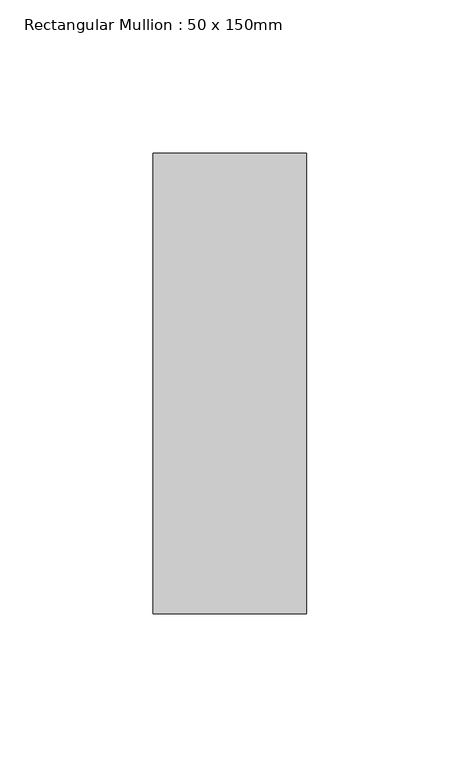
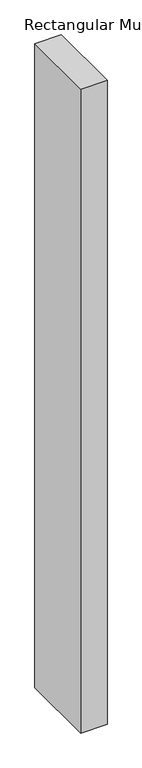
"""IFC4 building model written with IfcOpenShell, lengths in millimetres: member geometry, Rectangular Mullion : 50 x 150mm."""

import ifcopenshell
import ifcopenshell.guid

model = None  # the IFC model being written
_history = None  # IfcOwnerHistory: only IFC2X3 demands one
_inside = {}  # id of a spatial element -> (the spatial element, [elements in it])
_under = {}  # id of a project, library or spatial element -> (it, [spatial elements below it])
_declared = {}  # id of a project -> (the project, [libraries it declares])
_typed = {}  # id of a type object -> (the type object, [elements of that type])
_made_of = {}  # id of a material, layer set ... -> (it, [elements and type objects made of it])


def new_model(schema):
    """Start an empty IFC model of exactly this schema.

    Asked for "IFC4X3", IfcOpenShell would pick the latest addendum, in which some entities
    have other attributes; the version numbers below select the first issue.
    IFC2X3 requires an IfcOwnerHistory on every rooted entity: one is made here for all.
    """
    global model, _history
    if schema == "IFC4X3":
        model = ifcopenshell.file(schema_version=(4, 3, 0, 0))
    else:
        model = ifcopenshell.file(schema=schema)
    _inside.clear()
    _under.clear()
    _declared.clear()
    _typed.clear()
    _made_of.clear()
    _history = None
    if model.schema == "IFC2X3":
        org = make("IfcOrganization", Name="unknown")
        user = make(
            "IfcPersonAndOrganization",
            ThePerson=make("IfcPerson", FamilyName="unknown"),
            TheOrganization=org,
        )
        app = make(
            "IfcApplication",
            ApplicationDeveloper=org,
            Version="unknown",
            ApplicationFullName="unknown",
            ApplicationIdentifier="unknown",
        )
        _history = make(
            "IfcOwnerHistory",
            OwningUser=user,
            OwningApplication=app,
            ChangeAction="ADDED",
            CreationDate=0,
        )
    return model


def make(cls, **values):
    """One entity of the class cls with the attributes given. An attribute that is None is left unset."""
    return model.create_entity(
        cls, **{name: value for name, value in values.items() if value is not None}
    )


def rooted(cls, **values):
    """An entity with a GlobalId (a new one), such as an element, a storey or a relation."""
    return make(cls, GlobalId=ifcopenshell.guid.new(), OwnerHistory=_history, **values)


def si_unit(unit_type, name, prefix=None):
    """IfcSIUnit, for example si_unit("LENGTHUNIT", "METRE", prefix="MILLI")."""
    return make("IfcSIUnit", UnitType=unit_type, Prefix=prefix, Name=name)


def assignment(units):
    """IfcUnitAssignment: the units of a project."""
    return None if units is None else make("IfcUnitAssignment", Units=units)


def point(xyz):
    """IfcCartesianPoint."""
    return None if xyz is None else make("IfcCartesianPoint", Coordinates=xyz)


def direction(xyz):
    """IfcDirection."""
    return None if xyz is None else make("IfcDirection", DirectionRatios=xyz)


def frame(location, z_axis=None, x_axis=None):
    """IfcAxis2Placement3D, a coordinate frame: its origin and axes. An axis left out is left unset."""
    return make(
        "IfcAxis2Placement3D",
        Location=point(location),
        Axis=direction(z_axis),
        RefDirection=direction(x_axis),
    )


def origin():
    """The frame at (0, 0, 0) with its axes left unset."""
    return frame((0.0, 0.0, 0.0))


def place(relative_to, where):
    """IfcLocalPlacement: puts the frame where relative to a parent placement (None: the world)."""
    return make(
        "IfcLocalPlacement", PlacementRelTo=relative_to, RelativePlacement=where
    )


def context(
    kind, dimensions, precision=None, world=None, true_north=None, identifier=None
):
    """IfcGeometricRepresentationContext, for example the 3D "Model" context."""
    return make(
        "IfcGeometricRepresentationContext",
        ContextIdentifier=identifier,
        ContextType=kind,
        CoordinateSpaceDimension=dimensions,
        Precision=precision,
        WorldCoordinateSystem=world,
        TrueNorth=true_north,
    )


def project(units=None, contexts=None):
    """IfcProject with its units and contexts."""
    return rooted(
        "IfcProject",
        Name="project",
        RepresentationContexts=contexts,
        UnitsInContext=assignment(units),
    )


def spatial(cls, under=None, at=None, **own):
    """A site, building, storey or space (cls), placed at a placement, below another one or the project."""
    s = rooted(cls, ObjectPlacement=at, **own)
    if under is not None:
        _under.setdefault(under.id(), (under, []))[1].append(s)
    return s


def polyline(points):
    """IfcPolyline through the points."""
    return make("IfcPolyline", Points=[point(p) for p in points])


def outline(outer, holes=None, kind="AREA"):
    """IfcArbitraryClosedProfileDef: a profile drawn as a closed curve; with holes, ...WithVoids."""
    if holes is None:
        return make("IfcArbitraryClosedProfileDef", ProfileType=kind, OuterCurve=outer)
    return make(
        "IfcArbitraryProfileDefWithVoids",
        ProfileType=kind,
        OuterCurve=outer,
        InnerCurves=holes,
    )


def extrude(swept, where, along, depth):
    """IfcExtrudedAreaSolid: the profile swept, set in the frame where, extruded along a direction by depth."""
    return make(
        "IfcExtrudedAreaSolid",
        SweptArea=swept,
        Position=where,
        ExtrudedDirection=direction(along),
        Depth=depth,
    )


def shape(context_of_items, identifier, shape_type, items):
    """IfcShapeRepresentation: the items that make up one representation, for example the "Body"."""
    return make(
        "IfcShapeRepresentation",
        ContextOfItems=context_of_items,
        RepresentationIdentifier=identifier,
        RepresentationType=shape_type,
        Items=items,
    )


def source(mapping_origin, context_of_items, identifier, shape_type, items):
    """IfcRepresentationMap: a shape defined once, which mapped items show again and again."""
    return make(
        "IfcRepresentationMap",
        MappingOrigin=mapping_origin,
        MappedRepresentation=shape(context_of_items, identifier, shape_type, items),
    )


def transform(
    local_origin,
    x_axis=None,
    y_axis=None,
    z_axis=None,
    scale=None,
    scale2=None,
    scale3=None,
    uniform=True,
):
    """IfcCartesianTransformationOperator3D, or its non-uniform kind. x_axis, y_axis, z_axis: its Axis1, 2, 3."""
    if uniform:
        return make(
            "IfcCartesianTransformationOperator3D",
            Axis1=direction(x_axis),
            Axis2=direction(y_axis),
            LocalOrigin=point(local_origin),
            Scale=scale,
            Axis3=direction(z_axis),
        )
    return make(
        "IfcCartesianTransformationOperator3DnonUniform",
        Axis1=direction(x_axis),
        Axis2=direction(y_axis),
        LocalOrigin=point(local_origin),
        Scale=scale,
        Axis3=direction(z_axis),
        Scale2=scale2,
        Scale3=scale3,
    )


def mapped(mapping_source, mapping_target):
    """IfcMappedItem: shows the shape of a source again, moved by a transform."""
    return make(
        "IfcMappedItem", MappingSource=mapping_source, MappingTarget=mapping_target
    )


def made_of(thing, what):
    """Note that an element or type object is made of a material, layer set ...; save() writes the relation."""
    if what is not None:
        _made_of.setdefault(what.id(), (what, []))[1].append(thing)
    return thing


def element(
    cls,
    number,
    at=None,
    inside=None,
    cuts=None,
    type_object=None,
    material=None,
    context=None,
    identifier="Body",
    shape_type=None,
    held_by="IfcProductDefinitionShape",
    body=None,
    shapes=None,
    **own,
):
    """One element of the class cls, such as IfcWall. Its Tag is "e" and its number.

    at: its placement. inside: the storey or other place that contains it. cuts: it is an
    opening in that element (IfcRelVoidsElement). A single representation is given by context,
    identifier, shape_type and body (its items); several are given by shapes. held_by: the class
    of the entity that holds the representations. save() writes the other relations.
    """
    e = rooted(cls, Tag="e%d" % number, ObjectPlacement=at, **own)
    if body is not None:
        shapes = [shape(context, identifier, shape_type, body)]
    if shapes is not None:
        e.Representation = make(held_by, Representations=shapes)
    if inside is not None:
        _inside.setdefault(inside.id(), (inside, []))[1].append(e)
    if cuts is not None:
        rooted(
            "IfcRelVoidsElement", RelatingBuildingElement=cuts, RelatedOpeningElement=e
        )
    if type_object is not None:
        _typed.setdefault(type_object.id(), (type_object, []))[1].append(e)
    return made_of(e, material)


def aggregate(whole, parts):
    """IfcRelAggregates: a whole, such as a stair, and the parts it consists of."""
    return rooted("IfcRelAggregates", RelatingObject=whole, RelatedObjects=parts)


def save(model, path):
    """Write the relations noted so far, then the file.

    IfcRelAggregates (storeys below a building ...), IfcRelContainedInSpatialStructure (elements
    in a storey), IfcRelDefinesByType, IfcRelAssociatesMaterial and IfcRelDeclares: one each for
    every whole, place, type object, material and project.
    """
    for whole, parts in _under.values():
        aggregate(whole, parts)
    for where, things in _inside.values():
        rooted(
            "IfcRelContainedInSpatialStructure",
            RelatedElements=things,
            RelatingStructure=where,
        )
    for kind, things in _typed.values():
        rooted("IfcRelDefinesByType", RelatedObjects=things, RelatingType=kind)
    for what, things in _made_of.values():
        rooted("IfcRelAssociatesMaterial", RelatedObjects=things, RelatingMaterial=what)
    for by, libraries in _declared.values():
        rooted("IfcRelDeclares", RelatingContext=by, RelatedDefinitions=libraries)
    model.write(path)


def rectangular_mullion_50_x_150mm_95ebdaf0(model_context):
    return source(origin(), model_context, "Body", "SweptSolid", [
        extrude(outline(polyline([(25.0, 75.0), (25.0, -75.0), (-25.0, -75.0), (-25.0, 75.0), (25.0, 75.0)])), frame((0.0, 0.0, -1289.1765303), z_axis=(0.0, 0.0, 1.0), x_axis=(1.0, 0.0, 0.0)), (0.0, 0.0, 1.0), 1289.1765303),
    ])


if __name__ == "__main__":
    model = new_model("IFC4")
    model_context = context("Model", 3, world=origin())
    ifc_project = project(units=[si_unit("LENGTHUNIT", "METRE", prefix="MILLI")], contexts=[model_context])
    site = spatial("IfcSite", under=ifc_project)
    building = spatial("IfcBuilding", under=site)
    placement = place(None, origin())
    rectangular_mullion_50_x_150mm_shape = rectangular_mullion_50_x_150mm_95ebdaf0(model_context)
    element("IfcMember", 1, ObjectType="Rectangular Mullion : 50 x 150mm", at=placement, inside=building, context=model_context, shape_type="MappedRepresentation", body=[
        mapped(rectangular_mullion_50_x_150mm_shape, transform((0.0, 0.0, 0.0), x_axis=(1.0, 0.0, 0.0), y_axis=(0.0, 1.0, 0.0), z_axis=(0.0, 0.0, 1.0))),
    ])
    save(model, "model.ifc")
